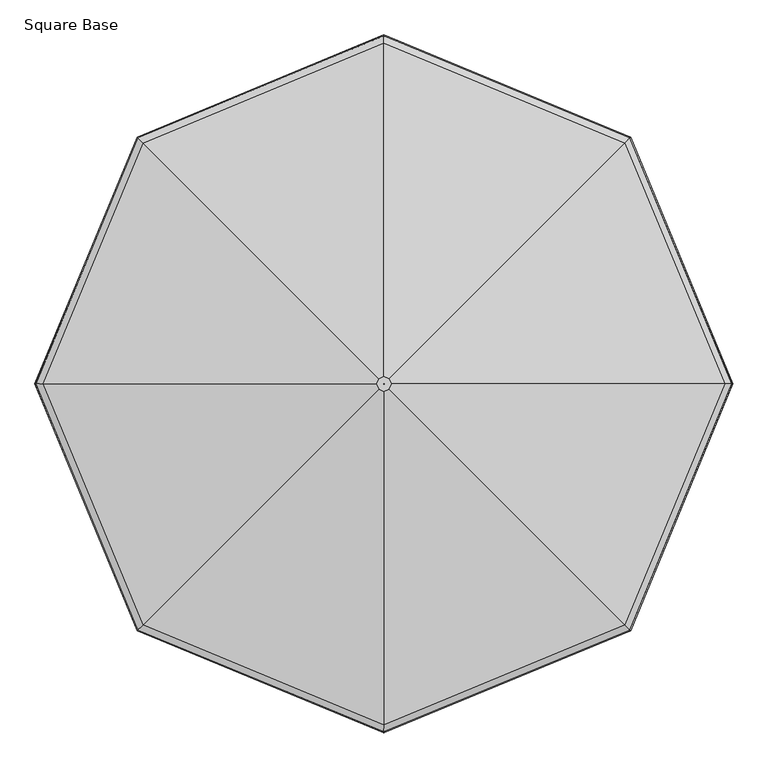
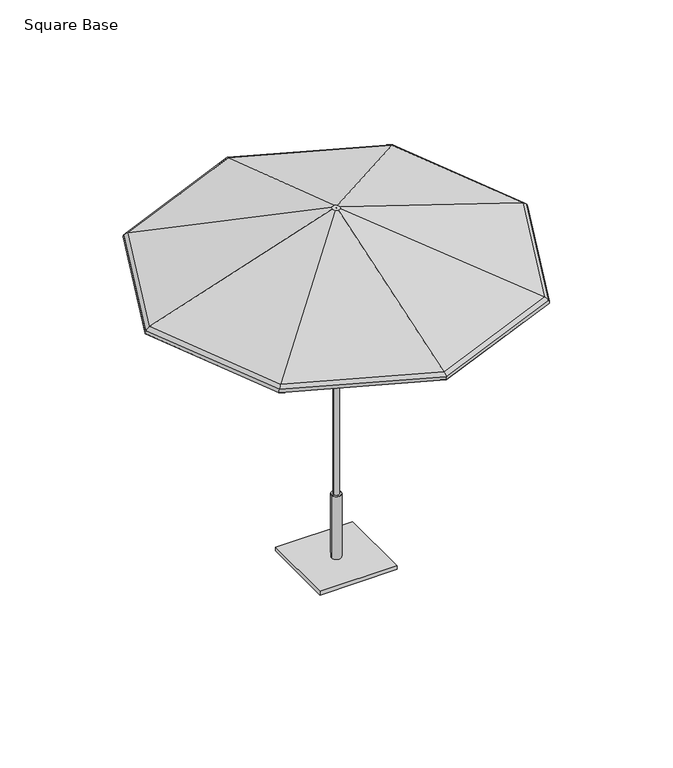
"""IFC4 building model written with IfcOpenShell, lengths in millimetres: furniture geometry, Square Base."""

from ifc_helpers import new_model, si_unit, frame, origin, origin_with_axes, place, context, project, spatial, polyline, circle_curve, ellipse_curve, outline, extrude, source, transform, mapped, element, save
from ifc_brep_helpers import plane_surface, cylinder_surface, revolved_surface, advanced_brep


def square_base_efce378b(model_context):
    return source(origin(), model_context, "Body", "SolidModel", [
        advanced_brep(
        [(19.5795967, -23.609512, 2449.3082423), (867.9781902, -872.00808, 2054.63825), (1227.5064869, -4.0299408, 2054.63825), (27.6897202, -4.0299408, 2449.3082423), (0.2837179, -4.3136338, 2444.7441798), (0.2837179, -4.3136338, 2449.3082423), (0.4012274, -4.0299408, 2449.3082423), (0.4012274, -4.0299408, 2444.7441798), (866.8065131, -870.8364029, 2050.3385867), (18.976283, -23.0061982, 2444.7441798), (26.8365057, -4.0299408, 2444.7441798), (1225.8494853, -4.0299408, 2050.3385867), (867.9781902, 863.9481984, 2054.63825), (19.5795967, 15.5496304, 2449.3082423), (0.2837179, -3.7462478, 2449.3082423), (0.2837179, -3.7462478, 2444.7441798), (18.976283, 14.9463167, 2444.7441798), (866.8065131, 862.7765214, 2050.3385867), (0.0, 1223.4765468, 2054.63825), (0.0, 23.6597651, 2449.3082423), (0.0, -3.6287279, 2449.3082423), (0.0, -3.6287279, 2444.7441798), (0.0, 22.8065507, 2444.7441798), (0.0, 1221.8195452, 2050.3385867), (-867.9781902, 863.9481984, 2054.63825), (-19.5795967, 15.5496304, 2449.3082423), (-0.2837179, -3.7462478, 2449.3082423), (-0.2837179, -3.7462478, 2444.7441798), (-18.976283, 14.9463167, 2444.7441798), (-866.8065131, 862.7765214, 2050.3385867), (-1227.5064869, -4.0299408, 2054.63825), (-27.6897202, -4.0299408, 2449.3082423), (-0.4012274, -4.0299408, 2449.3082423), (-0.4012274, -4.0299408, 2444.7441798), (-26.8365057, -4.0299408, 2444.7441798), (-1225.8494853, -4.0299408, 2050.3385867), (-867.9781902, -872.00808, 2054.63825), (-19.5795967, -23.609512, 2449.3082423), (-0.2837179, -4.3136338, 2449.3082423), (-0.2837179, -4.3136338, 2444.7441798), (-18.976283, -23.0061982, 2444.7441798), (-866.8065131, -870.8364029, 2050.3385867), (0.0, -1231.5364283, 2054.63825), (0.0, -31.7196467, 2449.3082423), (0.0, -4.4311536, 2449.3082423), (0.0, -4.4311536, 2444.7441798), (0.0, -30.8664322, 2444.7441798), (0.0, -1229.8794267, 2050.3385867), (888.6808391, -892.7107282, 2015.4829783), (885.3255026, -889.3553919, 2016.7551217), (1252.0392907, -4.0299408, 2016.7551217), (1256.784453, -4.0299408, 2015.4829783), (886.7474447, -890.7773339, 2034.8989025), (1254.0502205, -4.0299408, 2034.8989025), (885.3255026, 881.2955103, 2016.7551217), (888.6808391, 884.6508467, 2015.4829783), (886.7474447, 882.7174524, 2034.8989025), (0.0, 1248.0093509, 2016.7551217), (0.0, 1252.7545132, 2015.4829783), (0.0, 1250.0202807, 2034.8989025), (-885.3255026, 881.2955103, 2016.7551217), (-888.6808391, 884.6508467, 2015.4829783), (-886.7474447, 882.7174524, 2034.8989025), (-1252.0392907, -4.0299408, 2016.7551217), (-1256.784453, -4.0299408, 2015.4829783), (-1254.0502205, -4.0299408, 2034.8989025), (-885.3255026, -889.3553919, 2016.7551217), (-888.6808391, -892.7107282, 2015.4829783), (-886.7474447, -890.7773339, 2034.8989025), (0.0, -1256.0692325, 2016.7551217), (0.0, -1260.8143948, 2015.4829783), (0.0, -1258.0801623, 2034.8989025), (883.7829619, -887.8128512, 2032.4847066), (1249.8578088, -4.0299408, 2032.4847066), (883.7829619, 879.7529696, 2032.4847066), (0.0, 1245.827869, 2032.4847066), (-883.7829619, 879.7529696, 2032.4847066), (-1249.8578088, -4.0299408, 2032.4847066), (-883.7829619, -887.8128512, 2032.4847066), (0.0, -1253.8877505, 2032.4847066)],
        [
            (0, 1),
            (1, 2),
            (2, 3),
            (3, 0),
            (4, 5),
            (5, 6),
            (6, 7),
            (7, 4),
            (8, 9),
            (9, 10),
            (10, 11),
            (11, 8),
            (2, 12),
            (12, 13),
            (13, 3),
            (6, 14),
            (14, 15),
            (15, 7),
            (10, 16),
            (16, 17),
            (17, 11),
            (12, 18),
            (18, 19),
            (19, 13),
            (14, 20),
            (20, 21),
            (21, 15),
            (16, 22),
            (22, 23),
            (23, 17),
            (18, 24),
            (24, 25),
            (25, 19),
            (20, 26),
            (26, 27),
            (27, 21),
            (22, 28),
            (28, 29),
            (29, 23),
            (24, 30),
            (30, 31),
            (31, 25),
            (26, 32),
            (32, 33),
            (33, 27),
            (28, 34),
            (34, 35),
            (35, 29),
            (30, 36),
            (36, 37),
            (37, 31),
            (32, 38),
            (38, 39),
            (39, 33),
            (34, 40),
            (40, 41),
            (41, 35),
            (36, 42),
            (42, 43),
            (43, 37),
            (38, 44),
            (44, 45),
            (45, 39),
            (40, 46),
            (46, 47),
            (47, 41),
            (42, 1),
            (0, 43),
            (5, 44),
            (4, 45),
            (9, 46),
            (8, 47),
            (48, 49, ellipse_curve(frame((887.0110539, -891.0409431, 2016.1545442), z_axis=(0.7071067705718669, 0.7071067918012279, 0.0), x_axis=(0.7071067918012278, -0.707106770571867, 0.0)), 2.4707782, 2.2827014)),
            (49, 50),
            (50, 51, ellipse_curve(frame((1254.4230202, -4.0299408, 2016.1545442), z_axis=(0.0, -1.0, 0.0), x_axis=(-1.0, 0.0, 0.0)), 2.4707782, 2.2827014)),
            (51, 48),
            (52, 48, ellipse_curve(frame((871.4269242, -875.4568139, 2022.4222784), z_axis=(0.7071067705718669, 0.7071067918012279, 0.0), x_axis=(0.7071067918012278, -0.707106770571867, 0.0)), 25.5305879, 23.5871876)),
            (51, 53, ellipse_curve(frame((1232.3837333, -4.0299408, 2022.4222784), z_axis=(0.0, -1.0, 0.0), x_axis=(-1.0, 0.0, 0.0)), 25.5305877, 23.5871876)),
            (53, 52),
            (1, 52, ellipse_curve(frame((855.7116602, -859.7415504, 2009.6241856), z_axis=(0.7071067705718669, 0.7071067918012279, 0.0), x_axis=(0.7071067918012278, -0.707106770571867, 0.0)), 51.7189887, 47.782115)),
            (53, 2, ellipse_curve(frame((1210.1589943, -4.0299408, 2009.6241856), z_axis=(0.0, -1.0, 0.0), x_axis=(-1.0, 0.0, 0.0)), 51.7189881, 47.782115)),
            (50, 54),
            (54, 55, ellipse_curve(frame((887.0110539, 882.9810616, 2016.1545442), z_axis=(0.7071067705718669, -0.7071067918012278, 0.0), x_axis=(-0.7071067918012273, -0.7071067705718674, 0.0)), 2.4707782, 2.2827014)),
            (55, 51),
            (55, 56, ellipse_curve(frame((871.4269242, 867.3969324, 2022.4222784), z_axis=(0.7071067705718669, -0.7071067918012278, 0.0), x_axis=(-0.7071067918012273, -0.7071067705718674, 0.0)), 25.5305879, 23.5871876)),
            (56, 53),
            (56, 12, ellipse_curve(frame((855.7116602, 851.6816688, 2009.6241856), z_axis=(0.7071067705718669, -0.7071067918012278, 0.0), x_axis=(-0.7071067918012273, -0.7071067705718674, 0.0)), 51.7189887, 47.782115)),
            (54, 57),
            (57, 58, ellipse_curve(frame((0.0, 1250.3930804, 2016.1545442), z_axis=(1.0, 0.0, 0.0), x_axis=(0.0, -1.0, 0.0)), 2.4707782, 2.2827014)),
            (58, 55),
            (58, 59, ellipse_curve(frame((0.0, 1228.3537932, 2022.4222784), z_axis=(1.0, 0.0, 0.0), x_axis=(0.0, -1.0, 0.0)), 25.530588, 23.5871876)),
            (59, 56),
            (59, 18, ellipse_curve(frame((0.0, 1206.129054, 2009.6241856), z_axis=(1.0, 0.0, 0.0), x_axis=(0.0, -1.0, 0.0)), 51.7189888, 47.782115)),
            (57, 60),
            (60, 61, ellipse_curve(frame((-887.0110539, 882.9810616, 2016.1545442), z_axis=(0.7071067705718668, 0.7071067918012279, 0.0), x_axis=(0.7071067918012285, -0.7071067705718664, 0.0)), 2.4707782, 2.2827014)),
            (61, 58),
            (61, 62, ellipse_curve(frame((-871.4269242, 867.3969324, 2022.4222784), z_axis=(0.7071067705718668, 0.7071067918012279, 0.0), x_axis=(0.7071067918012285, -0.7071067705718664, 0.0)), 25.5305879, 23.5871876)),
            (62, 59),
            (62, 24, ellipse_curve(frame((-855.7116602, 851.6816688, 2009.6241856), z_axis=(0.7071067705718668, 0.7071067918012279, 0.0), x_axis=(0.7071067918012285, -0.7071067705718664, 0.0)), 51.7189887, 47.782115)),
            (60, 63),
            (63, 64, ellipse_curve(frame((-1254.4230202, -4.0299408, 2016.1545442), z_axis=(0.0, 1.0, 0.0), x_axis=(1.0, 0.0, 0.0)), 2.4707782, 2.2827014)),
            (64, 61),
            (64, 65, ellipse_curve(frame((-1232.3837333, -4.0299408, 2022.4222784), z_axis=(0.0, 1.0, 0.0), x_axis=(1.0, 0.0, 0.0)), 25.5305877, 23.5871876)),
            (65, 62),
            (65, 30, ellipse_curve(frame((-1210.1589943, -4.0299408, 2009.6241856), z_axis=(0.0, 1.0, 0.0), x_axis=(1.0, 0.0, 0.0)), 51.7189881, 47.782115)),
            (63, 66),
            (66, 67, ellipse_curve(frame((-887.0110539, -891.0409431, 2016.1545442), z_axis=(-0.707106770571867, 0.7071067918012278, 0.0), x_axis=(0.7071067918012279, 0.7071067705718671, 0.0)), 2.4707782, 2.2827014)),
            (67, 64),
            (67, 68, ellipse_curve(frame((-871.4269242, -875.4568139, 2022.4222784), z_axis=(-0.707106770571867, 0.7071067918012278, 0.0), x_axis=(0.7071067918012279, 0.7071067705718671, 0.0)), 25.5305879, 23.5871876)),
            (68, 65),
            (68, 36, ellipse_curve(frame((-855.7116602, -859.7415504, 2009.6241856), z_axis=(-0.707106770571867, 0.7071067918012278, 0.0), x_axis=(0.7071067918012279, 0.7071067705718671, 0.0)), 51.7189887, 47.782115)),
            (66, 69),
            (69, 70, ellipse_curve(frame((0.0, -1258.452962, 2016.1545442), z_axis=(-1.0, 0.0, 0.0), x_axis=(0.0, 1.0, 0.0)), 2.4707782, 2.2827014)),
            (70, 67),
            (70, 71, ellipse_curve(frame((0.0, -1236.4136748, 2022.4222784), z_axis=(-1.0, 0.0, 0.0), x_axis=(0.0, 1.0, 0.0)), 25.530588, 23.5871876)),
            (71, 68),
            (71, 42, ellipse_curve(frame((0.0, -1214.1889356, 2009.6241856), z_axis=(-1.0, 0.0, 0.0), x_axis=(0.0, 1.0, 0.0)), 51.7189888, 47.782115)),
            (69, 49),
            (48, 70),
            (52, 71),
            (72, 8, ellipse_curve(frame((855.7116602, -859.7415504, 2009.6241856), z_axis=(-0.7071067705718669, -0.7071067918012279, 0.0), x_axis=(-0.7071067918012278, 0.707106770571867, 0.0)), 46.778883, 43.2180525)),
            (11, 73, ellipse_curve(frame((1210.1589943, -4.0299408, 2009.6241856), z_axis=(0.0, 1.0, 0.0), x_axis=(1.0, 0.0, 0.0)), 46.7788825, 43.2180525)),
            (73, 72),
            (49, 72, ellipse_curve(frame((871.4269242, -875.4568139, 2022.4222784), z_axis=(-0.7071067705718669, -0.7071067918012279, 0.0), x_axis=(-0.7071067918012278, 0.707106770571867, 0.0)), 20.5904823, 19.0231251)),
            (73, 50, ellipse_curve(frame((1232.3837333, -4.0299408, 2022.4222784), z_axis=(0.0, 1.0, 0.0), x_axis=(1.0, 0.0, 0.0)), 20.5904821, 19.0231251)),
            (17, 74, ellipse_curve(frame((855.7116602, 851.6816688, 2009.6241856), z_axis=(-0.7071067705718669, 0.7071067918012278, 0.0), x_axis=(0.7071067918012273, 0.7071067705718674, 0.0)), 46.778883, 43.2180525)),
            (74, 73),
            (74, 54, ellipse_curve(frame((871.4269242, 867.3969324, 2022.4222784), z_axis=(-0.7071067705718669, 0.7071067918012278, 0.0), x_axis=(0.7071067918012273, 0.7071067705718674, 0.0)), 20.5904823, 19.0231251)),
            (23, 75, ellipse_curve(frame((0.0, 1206.129054, 2009.6241856), z_axis=(-1.0, 0.0, 0.0), x_axis=(0.0, 1.0, 0.0)), 46.7788831, 43.2180525)),
            (75, 74),
            (75, 57, ellipse_curve(frame((0.0, 1228.3537932, 2022.4222784), z_axis=(-1.0, 0.0, 0.0), x_axis=(0.0, 1.0, 0.0)), 20.5904823, 19.0231251)),
            (29, 76, ellipse_curve(frame((-855.7116602, 851.6816688, 2009.6241856), z_axis=(-0.7071067705718668, -0.7071067918012279, 0.0), x_axis=(-0.7071067918012285, 0.7071067705718664, 0.0)), 46.778883, 43.2180525)),
            (76, 75),
            (76, 60, ellipse_curve(frame((-871.4269242, 867.3969324, 2022.4222784), z_axis=(-0.7071067705718668, -0.7071067918012279, 0.0), x_axis=(-0.7071067918012285, 0.7071067705718664, 0.0)), 20.5904823, 19.0231251)),
            (35, 77, ellipse_curve(frame((-1210.1589943, -4.0299408, 2009.6241856), z_axis=(0.0, -1.0, 0.0), x_axis=(-1.0, 0.0, 0.0)), 46.7788825, 43.2180525)),
            (77, 76),
            (77, 63, ellipse_curve(frame((-1232.3837333, -4.0299408, 2022.4222784), z_axis=(0.0, -1.0, 0.0), x_axis=(-1.0, 0.0, 0.0)), 20.5904821, 19.0231251)),
            (41, 78, ellipse_curve(frame((-855.7116602, -859.7415504, 2009.6241856), z_axis=(0.707106770571867, -0.7071067918012278, 0.0), x_axis=(-0.7071067918012279, -0.7071067705718671, 0.0)), 46.778883, 43.2180525)),
            (78, 77),
            (78, 66, ellipse_curve(frame((-871.4269242, -875.4568139, 2022.4222784), z_axis=(0.707106770571867, -0.7071067918012278, 0.0), x_axis=(-0.7071067918012279, -0.7071067705718671, 0.0)), 20.5904823, 19.0231251)),
            (47, 79, ellipse_curve(frame((0.0, -1214.1889356, 2009.6241856), z_axis=(1.0, 0.0, 0.0), x_axis=(0.0, -1.0, 0.0)), 46.7788831, 43.2180525)),
            (79, 78),
            (79, 69, ellipse_curve(frame((0.0, -1236.4136748, 2022.4222784), z_axis=(1.0, 0.0, 0.0), x_axis=(0.0, -1.0, 0.0)), 20.5904823, 19.0231251)),
            (72, 79),
        ],
        [
            plane_surface(frame((867.9781902, -872.00808, 2054.63825), z_axis=(0.3098860594599675, -0.12835900134285777, 0.9420693164128837), x_axis=(0.3826834138500074, 0.9238795401804848, 0.0))),
            plane_surface(frame((0.2837179, -4.3136338, 2449.3082423), z_axis=(-0.9238795401805519, 0.3826834138498457, 0.0), x_axis=(0.3826834138498457, 0.9238795401805519, 0.0))),
            plane_surface(frame((18.976283, -23.0061982, 2444.7441798), z_axis=(-0.30988605945996583, 0.12835900134286157, -0.9420693164128836), x_axis=(0.3826834138500158, 0.9238795401804812, 0.0))),
            plane_surface(frame((1227.5064869, -4.0299408, 2054.63825), z_axis=(0.3098860594599674, 0.1283590013428578, 0.9420693164128837), x_axis=(-0.38268341385000754, 0.9238795401804847, 0.0))),
            plane_surface(frame((0.4012274, -4.0299408, 2449.3082423), z_axis=(-0.9238795401804236, -0.38268341385015503, 0.0), x_axis=(-0.38268341385015503, 0.9238795401804236, 0.0))),
            plane_surface(frame((26.8365057, -4.0299408, 2444.7441798), z_axis=(-0.3098860594599669, -0.12835900134285932, -0.9420693164128837), x_axis=(-0.38268341385000904, 0.9238795401804841, 0.0))),
            plane_surface(frame((867.9781902, 863.9481984, 2054.63825), z_axis=(0.12835901064652352, 0.30988605560626115, 0.9420693164128842), x_axis=(-0.9238795286912376, 0.3826834415875042, 0.0))),
            plane_surface(frame((0.2837179, -3.7462478, 2449.3082423), z_axis=(-0.3826834415882052, -0.9238795286909472, 0.0), x_axis=(-0.9238795286909472, 0.3826834415882052, 0.0))),
            plane_surface(frame((18.976283, 14.9463167, 2444.7441798), z_axis=(-0.12835901064652197, -0.309886055606262, -0.9420693164128842), x_axis=(-0.9238795286912361, 0.38268344158750756, 0.0))),
            plane_surface(frame((0.0, 1223.4765468, 2054.63825), z_axis=(-0.12835901064652352, 0.3098860556062612, 0.9420693164128842), x_axis=(-0.9238795286912376, -0.3826834415875041, 0.0))),
            plane_surface(frame((0.0, -3.6287279, 2449.3082423), z_axis=(0.3826834415881674, -0.9238795286909629, 0.0), x_axis=(-0.9238795286909629, -0.3826834415881674, 1.7630868610491193e-12))),
            plane_surface(frame((0.0, 22.8065507, 2444.7441798), z_axis=(0.12835901064650254, -0.3098860556062698, -0.9420693164128842), x_axis=(-0.9238795286912317, -0.38268344158751827, 0.0))),
            plane_surface(frame((-867.9781902, 863.9481984, 2054.63825), z_axis=(-0.3098860594599674, 0.1283590013428577, 0.9420693164128838), x_axis=(-0.3826834138500073, -0.9238795401804849, 0.0))),
            plane_surface(frame((-0.2837179, -3.7462478, 2449.3082423), z_axis=(0.9238795401804988, -0.3826834138499735, 0.0), x_axis=(-0.3826834138499735, -0.9238795401804988, 0.0))),
            plane_surface(frame((-18.976283, 14.9463167, 2444.7441798), z_axis=(0.309886059459966, -0.12835900134286143, -0.9420693164128837), x_axis=(-0.38268341385001536, -0.9238795401804816, 0.0))),
            plane_surface(frame((-1227.5064869, -4.0299408, 2054.63825), z_axis=(-0.30988605945996744, -0.12835900134285777, 0.9420693164128836), x_axis=(0.3826834138500075, -0.9238795401804848, 0.0))),
            plane_surface(frame((-0.4012274, -4.0299408, 2449.3082423), z_axis=(0.9238795401804434, 0.3826834138501074, 0.0), x_axis=(0.3826834138501074, -0.9238795401804434, 0.0))),
            plane_surface(frame((-26.8365057, -4.0299408, 2444.7441798), z_axis=(0.30988605945996417, 0.1283590013428655, -0.9420693164128837), x_axis=(0.3826834138500276, -0.9238795401804764, 0.0))),
            plane_surface(frame((-867.9781902, -872.00808, 2054.63825), z_axis=(-0.12835901064652355, -0.30988605560626115, 0.9420693164128843), x_axis=(0.9238795286912376, -0.3826834415875043, 0.0))),
            plane_surface(frame((-0.2837179, -4.3136338, 2449.3082423), z_axis=(0.38268344158750667, 0.9238795286912367, 0.0), x_axis=(0.9238795286912367, -0.38268344158750667, -1.7630868610541979e-12))),
            plane_surface(frame((-18.976283, -23.0061982, 2444.7441798), z_axis=(0.12835901064652216, 0.30988605560626176, -0.9420693164128844), x_axis=(0.9238795286912359, -0.38268344158750833, 0.0))),
            plane_surface(frame((0.0, -1231.5364283, 2054.63825), z_axis=(0.12835901064652355, -0.30988605560626103, 0.9420693164128844), x_axis=(0.9238795286912376, 0.3826834415875044, 0.0))),
            plane_surface(frame((0.0, -31.7196467, 2449.3082423), z_axis=(0.0, 0.0, 1.0000000000000002), x_axis=(0.9238795286912374, 0.38268344158750495, 0.0))),
            plane_surface(frame((0.0, -4.4311536, 2449.3082423), z_axis=(-0.3826834415880379, 0.9238795286910165, 0.0), x_axis=(0.9238795286910165, 0.3826834415880379, 1.7630868610505533e-12))),
            plane_surface(frame((0.0, -4.4311536, 2444.7441798), z_axis=(0.0, 0.0, -1.0), x_axis=(0.9238795286912637, 0.38268344158744133, 0.0))),
            plane_surface(frame((0.0, -30.8664322, 2444.7441798), z_axis=(-0.1283590106464981, 0.3098860556062716, -0.9420693164128844), x_axis=(0.9238795286912372, 0.38268344158750517, 0.0))),
            cylinder_surface(frame((885.6093569, -894.4249392, 2016.1545442), z_axis=(-0.3826834138500074, -0.9238795401804848, 0.0), x_axis=(-0.9238795401804848, 0.3826834138500074, 0.0)), 2.2827014),
            cylinder_surface(frame((866.7976485, -886.6328749, 2022.4222784), z_axis=(-0.3826834138500074, -0.9238795401804848, 0.0), x_axis=(-0.9238795401804848, 0.3826834138500074, 0.0)), 23.5871876),
            cylinder_surface(frame((847.8276469, -878.7752434, 2009.6241856), z_axis=(-0.3826834138500074, -0.9238795401804848, 0.0), x_axis=(-0.9238795401804848, 0.3826834138500074, 0.0)), 47.782115),
            cylinder_surface(frame((1255.8247171, -7.4139366, 2016.1545442), z_axis=(0.38268341385000737, -0.9238795401804849, 0.0), x_axis=(-0.9238795401804849, -0.38268341385000737, 0.0)), 2.2827014),
            cylinder_surface(frame((1237.0130087, -15.2060009, 2022.4222784), z_axis=(0.38268341385000737, -0.9238795401804849, 0.0), x_axis=(-0.9238795401804849, -0.38268341385000737, 0.0)), 23.5871876),
            cylinder_surface(frame((1218.0430071, -23.0636324, 2009.6241856), z_axis=(0.38268341385000737, -0.9238795401804849, 0.0), x_axis=(-0.9238795401804849, -0.38268341385000737, 0.0)), 47.782115),
            cylinder_surface(frame((890.3950499, 881.5793645, 2016.1545442), z_axis=(0.9238795286912376, -0.38268344158750417, 0.0), x_axis=(-0.38268344158750417, -0.9238795286912376, 0.0)), 2.2827014),
            cylinder_surface(frame((882.6029851, 862.7676563, 2022.4222784), z_axis=(0.9238795286912376, -0.38268344158750417, 0.0), x_axis=(-0.38268344158750417, -0.9238795286912376, 0.0)), 23.5871876),
            cylinder_surface(frame((874.745353, 843.7976549, 2009.6241856), z_axis=(0.9238795286912376, -0.38268344158750417, 0.0), x_axis=(-0.38268344158750417, -0.9238795286912376, 0.0)), 47.782115),
            cylinder_surface(frame((3.3839961, 1251.7947775, 2016.1545442), z_axis=(0.9238795286912376, 0.3826834415875045, 0.0), x_axis=(0.3826834415875045, -0.9238795286912376, 0.0)), 2.2827014),
            cylinder_surface(frame((11.176061, 1232.9830694, 2022.4222784), z_axis=(0.9238795286912376, 0.3826834415875045, 0.0), x_axis=(0.3826834415875045, -0.9238795286912376, 0.0)), 23.5871876),
            cylinder_surface(frame((19.033693, 1214.013068, 2009.6241856), z_axis=(0.9238795286912376, 0.3826834415875045, 0.0), x_axis=(0.3826834415875045, -0.9238795286912376, 0.0)), 47.782115),
            cylinder_surface(frame((-885.6093569, 886.3650576, 2016.1545442), z_axis=(0.3826834138500073, 0.9238795401804848, 0.0), x_axis=(0.9238795401804848, -0.3826834138500073, 0.0)), 2.2827014),
            cylinder_surface(frame((-866.7976485, 878.5729933, 2022.4222784), z_axis=(0.3826834138500073, 0.9238795401804848, 0.0), x_axis=(0.9238795401804848, -0.3826834138500073, 0.0)), 23.5871876),
            cylinder_surface(frame((-847.8276469, 870.7153618, 2009.6241856), z_axis=(0.3826834138500073, 0.9238795401804848, 0.0), x_axis=(0.9238795401804848, -0.3826834138500073, 0.0)), 47.782115),
            cylinder_surface(frame((-1255.8247171, -0.6459449, 2016.1545442), z_axis=(-0.3826834138500074, 0.9238795401804848, 0.0), x_axis=(0.9238795401804848, 0.3826834138500074, 0.0)), 2.2827014),
            cylinder_surface(frame((-1237.0130087, 7.1461194, 2022.4222784), z_axis=(-0.3826834138500074, 0.9238795401804848, 0.0), x_axis=(0.9238795401804848, 0.3826834138500074, 0.0)), 23.5871876),
            cylinder_surface(frame((-1218.0430071, 15.0037509, 2009.6241856), z_axis=(-0.3826834138500074, 0.9238795401804848, 0.0), x_axis=(0.9238795401804848, 0.3826834138500074, 0.0)), 47.782115),
            cylinder_surface(frame((-890.3950499, -889.639246, 2016.1545442), z_axis=(-0.9238795286912376, 0.3826834415875041, 0.0), x_axis=(0.3826834415875041, 0.9238795286912376, 0.0)), 2.2827014),
            cylinder_surface(frame((-882.6029851, -870.8275378, 2022.4222784), z_axis=(-0.9238795286912376, 0.3826834415875041, 0.0), x_axis=(0.3826834415875041, 0.9238795286912376, 0.0)), 23.5871876),
            cylinder_surface(frame((-874.745353, -851.8575365, 2009.6241856), z_axis=(-0.9238795286912376, 0.3826834415875041, 0.0), x_axis=(0.3826834415875041, 0.9238795286912376, 0.0)), 47.782115),
            cylinder_surface(frame((-3.3839961, -1259.8546591, 2016.1545442), z_axis=(-0.9238795286912376, -0.3826834415875045, 0.0), x_axis=(-0.3826834415875045, 0.9238795286912376, 0.0)), 2.2827014),
            cylinder_surface(frame((-11.176061, -1241.0429509, 2022.4222784), z_axis=(-0.9238795286912376, -0.3826834415875045, 0.0), x_axis=(-0.3826834415875045, 0.9238795286912376, 0.0)), 23.5871876),
            cylinder_surface(frame((-19.033693, -1222.0729496, 2009.6241856), z_axis=(-0.9238795286912376, -0.3826834415875045, 0.0), x_axis=(-0.3826834415875045, 0.9238795286912376, 0.0)), 47.782115),
            revolved_surface(polyline([(1177.0813279177353, 29.04772291639233, 2009.6241856), (808.9327772004092, -859.7415515729037, 2009.6241856)]), (847.8276469, -878.7752434, 2009.6241856), (0.3826834138500074, 0.9238795401804848, 0.0)),
            revolved_surface(polyline([(1217.8240632036184, 10.529728133929439, 2022.4222784), (850.8364419865392, -875.4568144520437, 2022.4222784)]), (866.7976485, -886.6328749, 2022.4222784), (0.3826834138500074, 0.9238795401804848, 0.0)),
            revolved_surface(polyline([(808.9327772202232, 851.6816699811113, 2009.6241856), (1177.0813279375493, -37.10760450818483, 2009.6241856)]), (1218.0430071, -23.0636324, 2009.6241856), (-0.38268341385000737, 0.9238795401804849, 0.0)),
            revolved_surface(polyline([(850.8364419709978, 867.3969329456064, 2022.4222784), (1217.8240632234324, -18.589609725721992, 2022.4222784)]), (1237.0130087, -15.2060009, 2022.4222784), (-0.38268341385000737, 0.9238795401804849, 0.0)),
            revolved_surface(polyline([(-33.07766613995125, 1173.05138914796, 2009.6241856), (855.7116599637476, 804.9027857890122, 2009.6241856)]), (874.745353, 843.7976549, 2009.6241856), (-0.9238795286912376, 0.38268344158750417, 0.0)),
            revolved_surface(polyline([(-14.55966994483424, 1213.794123847939, 2022.4222784), (871.4269241167767, 846.8064501452996, 2022.4222784)]), (882.6029851, 862.7676563, 2022.4222784), (-0.9238795286912376, 0.38268344158750417, 0.0)),
            revolved_surface(polyline([(-855.7116599740738, 804.9027858139414, 2009.6241856), (33.07766612962508, 1173.0513891728895, 2009.6241856)]), (19.033693, 1214.013068, 2009.6241856), (-0.9238795286912376, -0.3826834415875045, 0.0)),
            revolved_surface(polyline([(-871.4269241124583, 846.8064501348736, 2022.4222784), (14.559669949152642, 1213.7941238375133, 2022.4222784)]), (11.176061, 1232.9830694, 2022.4222784), (-0.9238795286912376, -0.3826834415875045, 0.0)),
            revolved_surface(polyline([(-1177.081327917735, -37.10760451639214, 2009.6241856), (-808.9327772004092, 851.6816699729037, 2009.6241856)]), (-847.8276469, 870.7153618, 2009.6241856), (-0.3826834138500073, -0.9238795401804848, 0.0)),
            revolved_surface(polyline([(-1217.8240632036182, -18.58960973392925, 2022.4222784), (-850.8364419511838, 867.3969329373989, 2022.4222784)]), (-866.7976485, 878.5729933, 2022.4222784), (-0.3826834138500073, -0.9238795401804848, 0.0)),
            revolved_surface(polyline([(-808.932777184868, -859.7415515664663, 2009.6241856), (-1177.0813279021938, 29.047722922829497, 2009.6241856)]), (-1218.0430071, 15.0037509, 2009.6241856), (0.3826834138500074, -0.9238795401804848, 0.0)),
            revolved_surface(polyline([(-850.8364419709978, -875.4568144456061, 2022.4222784), (-1217.8240631880772, 10.529728140366657, 2022.4222784)]), (-1237.0130087, 7.1461194, 2022.4222784), (0.3826834138500074, -0.9238795401804848, 0.0)),
            revolved_surface(polyline([(33.07766613995125, -1181.11127074796, 2009.6241856), (-855.7116599637476, -812.9626673890123, 2009.6241856)]), (-874.745353, -851.8575365, 2009.6241856), (0.9238795286912376, -0.3826834415875041, 0.0)),
            revolved_surface(polyline([(14.559669980189597, -1221.8540053625836, 2022.4222784), (-871.4269241167767, -854.8663316452995, 2022.4222784)]), (-882.6029851, -870.8275378, 2022.4222784), (0.9238795286912376, -0.3826834415875041, 0.0)),
            revolved_surface(polyline([(855.7116599740737, -812.9626674139414, 2009.6241856), (-33.07766612962508, -1181.1112707728894, 2009.6241856)]), (-19.033693, -1222.0729496, 2009.6241856), (0.9238795286912376, 0.3826834415875045, 0.0)),
            revolved_surface(polyline([(871.4269241124583, -854.8663316348736, 2022.4222784), (-14.559669984508012, -1221.854005352158, 2022.4222784)]), (-11.176061, -1241.0429509, 2022.4222784), (0.9238795286912376, 0.3826834415875045, 0.0)),
        ],
        [
            (0, [[1, 2, 3, 4]]),
            (1, [[5, 6, 7, 8]]),
            (2, [[9, 10, 11, 12]]),
            (3, [[-3, 13, 14, 15]]),
            (4, [[-7, 16, 17, 18]]),
            (5, [[-11, 19, 20, 21]]),
            (6, [[-14, 22, 23, 24]]),
            (7, [[-17, 25, 26, 27]]),
            (8, [[-20, 28, 29, 30]]),
            (9, [[-23, 31, 32, 33]]),
            (10, [[-26, 34, 35, 36]]),
            (11, [[-29, 37, 38, 39]]),
            (12, [[-32, 40, 41, 42]]),
            (13, [[-35, 43, 44, 45]]),
            (14, [[-38, 46, 47, 48]]),
            (15, [[-41, 49, 50, 51]]),
            (16, [[-44, 52, 53, 54]]),
            (17, [[-47, 55, 56, 57]]),
            (18, [[-50, 58, 59, 60]]),
            (19, [[-53, 61, 62, 63]]),
            (20, [[-56, 64, 65, 66]]),
            (21, [[-59, 67, -1, 68]]),
            (22, [[-51, -60, -68, -4, -15, -24, -33, -42], [69, -61, -52, -43, -34, -25, -16, -6]]),
            (23, [[-62, -69, -5, 70]]),
            (24, [[71, -64, -55, -46, -37, -28, -19, -10], [-54, -63, -70, -8, -18, -27, -36, -45]]),
            (25, [[-65, -71, -9, 72]]),
            (26, [[73, 74, 75, 76]]),
            (27, [[77, -76, 78, 79]]),
            (28, [[80, -79, 81, -2]]),
            (29, [[-75, 82, 83, 84]]),
            (30, [[-78, -84, 85, 86]]),
            (31, [[-81, -86, 87, -13]]),
            (32, [[-83, 88, 89, 90]]),
            (33, [[-85, -90, 91, 92]]),
            (34, [[-87, -92, 93, -22]]),
            (35, [[-89, 94, 95, 96]]),
            (36, [[-91, -96, 97, 98]]),
            (37, [[-93, -98, 99, -31]]),
            (38, [[-95, 100, 101, 102]]),
            (39, [[-97, -102, 103, 104]]),
            (40, [[-99, -104, 105, -40]]),
            (41, [[-101, 106, 107, 108]]),
            (42, [[-103, -108, 109, 110]]),
            (43, [[-105, -110, 111, -49]]),
            (44, [[-107, 112, 113, 114]]),
            (45, [[-109, -114, 115, 116]]),
            (46, [[-111, -116, 117, -58]]),
            (47, [[-113, 118, -73, 119]]),
            (48, [[-115, -119, -77, 120]]),
            (49, [[-117, -120, -80, -67]]),
            (50, [[121, -12, 122, 123]]),
            (51, [[124, -123, 125, -74]]),
            (52, [[-122, -21, 126, 127]]),
            (53, [[-125, -127, 128, -82]]),
            (54, [[-126, -30, 129, 130]]),
            (55, [[-128, -130, 131, -88]]),
            (56, [[-129, -39, 132, 133]]),
            (57, [[-131, -133, 134, -94]]),
            (58, [[-132, -48, 135, 136]]),
            (59, [[-134, -136, 137, -100]]),
            (60, [[-135, -57, 138, 139]]),
            (61, [[-137, -139, 140, -106]]),
            (62, [[-138, -66, 141, 142]]),
            (63, [[-140, -142, 143, -112]]),
            (64, [[-141, -72, -121, 144]]),
            (65, [[-143, -144, -124, -118]]),
        ],
    ),
        advanced_brep(
        [(-19.05, -4.0299408, 463.5500121), (19.05, -4.0299408, 463.5500121), (31.7499992, -4.0299408, 463.5500121), (-31.7499992, -4.0299408, 463.5500121), (-19.05, -4.0299408, 1873.1507813), (19.05, -4.0299408, 1873.1507813), (0.0, -4.0299408, 1873.1507813), (-31.7499992, -4.0299408, 25.4), (31.7499992, -4.0299408, 25.4), (0.0, -4.0299408, 25.4)],
        [
            (0, 1, circle_curve(frame((0.0, -4.0299408, 463.5500121), z_axis=(0.0, 0.0, -1.0), x_axis=(1.0, 0.0, 0.0)), 19.05)),
            (1, 2),
            (2, 3, circle_curve(frame((0.0, -4.0299408, 463.5500121), z_axis=(0.0, 0.0, 1.0), x_axis=(1.0, 0.0, 0.0)), 31.7499992)),
            (3, 0),
            (1, 0, circle_curve(frame((0.0, -4.0299408, 463.5500121), z_axis=(0.0, 0.0, -1.0), x_axis=(1.0, 0.0, 0.0)), 19.05)),
            (3, 2, circle_curve(frame((0.0, -4.0299408, 463.5500121), z_axis=(0.0, 0.0, 1.0), x_axis=(1.0, 0.0, 0.0)), 31.7499992)),
            (4, 5, circle_curve(frame((0.0, -4.0299408, 1873.1507813), z_axis=(0.0, 0.0, -1.0), x_axis=(1.0, 0.0, 0.0)), 19.05)),
            (5, 1),
            (0, 4),
            (5, 4, circle_curve(frame((0.0, -4.0299408, 1873.1507813), z_axis=(0.0, 0.0, -1.0), x_axis=(1.0, 0.0, 0.0)), 19.05)),
            (6, 5),
            (4, 6),
            (7, 8, circle_curve(frame((0.0, -4.0299408, 25.4), z_axis=(0.0, 0.0, -1.0), x_axis=(1.0, 0.0, 0.0)), 31.7499992)),
            (8, 9),
            (9, 7),
            (8, 7, circle_curve(frame((0.0, -4.0299408, 25.4), z_axis=(0.0, 0.0, -1.0), x_axis=(1.0, 0.0, 0.0)), 31.7499992)),
            (2, 8),
            (7, 3),
        ],
        [
            plane_surface(frame((0.0, -4.0299408, 463.5500121), z_axis=(0.0, 0.0, 1.0), x_axis=(1.0, 0.0, 0.0))),
            cylinder_surface(frame((0.0, -4.0299408, 2736.7507813), z_axis=(0.0, 0.0, 1.0), x_axis=(1.0, 0.0, 0.0)), 19.05),
            plane_surface(frame((0.0, -4.0299408, 1873.1507813), z_axis=(0.0, 0.0, 1.0), x_axis=(1.0, 0.0, 0.0))),
            plane_surface(frame((0.0, -4.0299408, 25.4), z_axis=(0.0, 0.0, -1.0), x_axis=(1.0, 0.0, 0.0))),
            cylinder_surface(frame((0.0, -4.0299408, 2736.7507813), z_axis=(0.0, 0.0, 1.0), x_axis=(1.0, 0.0, 0.0)), 31.7499992),
        ],
        [
            (0, [[1, 2, 3, 4]]),
            (0, [[5, -4, 6, -2]]),
            (1, [[7, 8, -1, 9]]),
            (1, [[10, -9, -5, -8]]),
            (2, [[11, -7, 12]]),
            (2, [[-12, -10, -11]]),
            (3, [[13, 14, 15]]),
            (3, [[16, -15, -14]]),
            (4, [[-3, 17, -13, 18]]),
            (4, [[-6, -18, -16, -17]]),
        ],
    ),
        extrude(outline(polyline([(254.0, 249.9700592), (254.0, -258.0299408), (-254.0, -258.0299408), (-254.0, 249.9700592), (254.0, 249.9700592)])), origin_with_axes(), (0.0, 0.0, 1.0), 25.4),
    ])


if __name__ == "__main__":
    model = new_model("IFC4")
    model_context = context("Model", 3, world=origin())
    ifc_project = project(units=[si_unit("LENGTHUNIT", "METRE", prefix="MILLI")], contexts=[model_context])
    site = spatial("IfcSite", under=ifc_project)
    building = spatial("IfcBuilding", under=site)
    placement = place(None, origin())
    square_base_shape = square_base_efce378b(model_context)
    element("IfcFurniture", 1, ObjectType="Square Base", at=placement, inside=building, context=model_context, shape_type="MappedRepresentation", body=[
        mapped(square_base_shape, transform((0.0, 0.0, 0.0), x_axis=(1.0, 0.0, 0.0), y_axis=(0.0, 1.0, 0.0), z_axis=(0.0, 0.0, 1.0))),
    ])
    save(model, "model.ifc")
